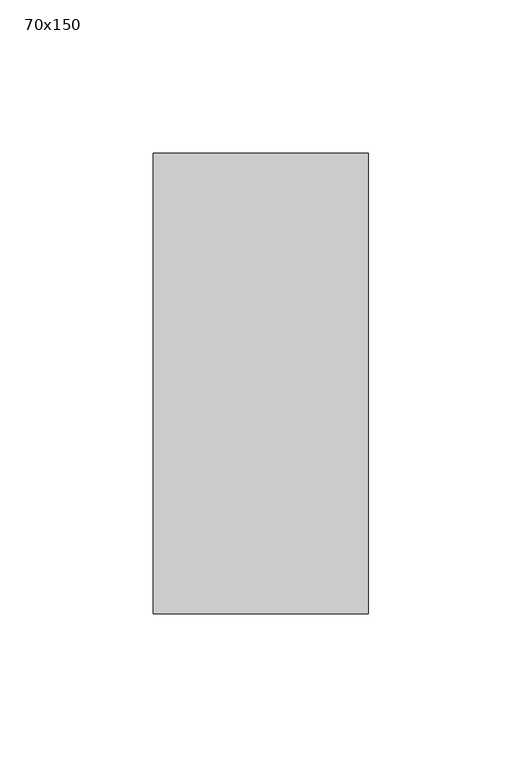
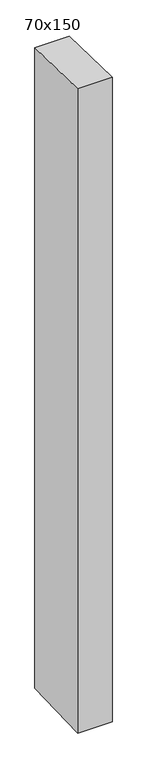
"""IFC4 building model written with IfcOpenShell, lengths in millimetres: member geometry, 70x150."""

import ifcopenshell
import ifcopenshell.guid

model = None  # the IFC model being written
_history = None  # IfcOwnerHistory: only IFC2X3 demands one
_inside = {}  # id of a spatial element -> (the spatial element, [elements in it])
_under = {}  # id of a project, library or spatial element -> (it, [spatial elements below it])
_declared = {}  # id of a project -> (the project, [libraries it declares])
_typed = {}  # id of a type object -> (the type object, [elements of that type])
_made_of = {}  # id of a material, layer set ... -> (it, [elements and type objects made of it])


def new_model(schema):
    """Start an empty IFC model of exactly this schema.

    Asked for "IFC4X3", IfcOpenShell would pick the latest addendum, in which some entities
    have other attributes; the version numbers below select the first issue.
    IFC2X3 requires an IfcOwnerHistory on every rooted entity: one is made here for all.
    """
    global model, _history
    if schema == "IFC4X3":
        model = ifcopenshell.file(schema_version=(4, 3, 0, 0))
    else:
        model = ifcopenshell.file(schema=schema)
    _inside.clear()
    _under.clear()
    _declared.clear()
    _typed.clear()
    _made_of.clear()
    _history = None
    if model.schema == "IFC2X3":
        org = make("IfcOrganization", Name="unknown")
        user = make(
            "IfcPersonAndOrganization",
            ThePerson=make("IfcPerson", FamilyName="unknown"),
            TheOrganization=org,
        )
        app = make(
            "IfcApplication",
            ApplicationDeveloper=org,
            Version="unknown",
            ApplicationFullName="unknown",
            ApplicationIdentifier="unknown",
        )
        _history = make(
            "IfcOwnerHistory",
            OwningUser=user,
            OwningApplication=app,
            ChangeAction="ADDED",
            CreationDate=0,
        )
    return model


def make(cls, **values):
    """One entity of the class cls with the attributes given. An attribute that is None is left unset."""
    return model.create_entity(
        cls, **{name: value for name, value in values.items() if value is not None}
    )


def rooted(cls, **values):
    """An entity with a GlobalId (a new one), such as an element, a storey or a relation."""
    return make(cls, GlobalId=ifcopenshell.guid.new(), OwnerHistory=_history, **values)


def si_unit(unit_type, name, prefix=None):
    """IfcSIUnit, for example si_unit("LENGTHUNIT", "METRE", prefix="MILLI")."""
    return make("IfcSIUnit", UnitType=unit_type, Prefix=prefix, Name=name)


def assignment(units):
    """IfcUnitAssignment: the units of a project."""
    return None if units is None else make("IfcUnitAssignment", Units=units)


def point(xyz):
    """IfcCartesianPoint."""
    return None if xyz is None else make("IfcCartesianPoint", Coordinates=xyz)


def direction(xyz):
    """IfcDirection."""
    return None if xyz is None else make("IfcDirection", DirectionRatios=xyz)


def frame(location, z_axis=None, x_axis=None):
    """IfcAxis2Placement3D, a coordinate frame: its origin and axes. An axis left out is left unset."""
    return make(
        "IfcAxis2Placement3D",
        Location=point(location),
        Axis=direction(z_axis),
        RefDirection=direction(x_axis),
    )


def origin():
    """The frame at (0, 0, 0) with its axes left unset."""
    return frame((0.0, 0.0, 0.0))


def place(relative_to, where):
    """IfcLocalPlacement: puts the frame where relative to a parent placement (None: the world)."""
    return make(
        "IfcLocalPlacement", PlacementRelTo=relative_to, RelativePlacement=where
    )


def context(
    kind, dimensions, precision=None, world=None, true_north=None, identifier=None
):
    """IfcGeometricRepresentationContext, for example the 3D "Model" context."""
    return make(
        "IfcGeometricRepresentationContext",
        ContextIdentifier=identifier,
        ContextType=kind,
        CoordinateSpaceDimension=dimensions,
        Precision=precision,
        WorldCoordinateSystem=world,
        TrueNorth=true_north,
    )


def project(units=None, contexts=None):
    """IfcProject with its units and contexts."""
    return rooted(
        "IfcProject",
        Name="project",
        RepresentationContexts=contexts,
        UnitsInContext=assignment(units),
    )


def spatial(cls, under=None, at=None, **own):
    """A site, building, storey or space (cls), placed at a placement, below another one or the project."""
    s = rooted(cls, ObjectPlacement=at, **own)
    if under is not None:
        _under.setdefault(under.id(), (under, []))[1].append(s)
    return s


def polyline(points):
    """IfcPolyline through the points."""
    return make("IfcPolyline", Points=[point(p) for p in points])


def outline(outer, holes=None, kind="AREA"):
    """IfcArbitraryClosedProfileDef: a profile drawn as a closed curve; with holes, ...WithVoids."""
    if holes is None:
        return make("IfcArbitraryClosedProfileDef", ProfileType=kind, OuterCurve=outer)
    return make(
        "IfcArbitraryProfileDefWithVoids",
        ProfileType=kind,
        OuterCurve=outer,
        InnerCurves=holes,
    )


def extrude(swept, where, along, depth):
    """IfcExtrudedAreaSolid: the profile swept, set in the frame where, extruded along a direction by depth."""
    return make(
        "IfcExtrudedAreaSolid",
        SweptArea=swept,
        Position=where,
        ExtrudedDirection=direction(along),
        Depth=depth,
    )


def shape(context_of_items, identifier, shape_type, items):
    """IfcShapeRepresentation: the items that make up one representation, for example the "Body"."""
    return make(
        "IfcShapeRepresentation",
        ContextOfItems=context_of_items,
        RepresentationIdentifier=identifier,
        RepresentationType=shape_type,
        Items=items,
    )


def source(mapping_origin, context_of_items, identifier, shape_type, items):
    """IfcRepresentationMap: a shape defined once, which mapped items show again and again."""
    return make(
        "IfcRepresentationMap",
        MappingOrigin=mapping_origin,
        MappedRepresentation=shape(context_of_items, identifier, shape_type, items),
    )


def transform(
    local_origin,
    x_axis=None,
    y_axis=None,
    z_axis=None,
    scale=None,
    scale2=None,
    scale3=None,
    uniform=True,
):
    """IfcCartesianTransformationOperator3D, or its non-uniform kind. x_axis, y_axis, z_axis: its Axis1, 2, 3."""
    if uniform:
        return make(
            "IfcCartesianTransformationOperator3D",
            Axis1=direction(x_axis),
            Axis2=direction(y_axis),
            LocalOrigin=point(local_origin),
            Scale=scale,
            Axis3=direction(z_axis),
        )
    return make(
        "IfcCartesianTransformationOperator3DnonUniform",
        Axis1=direction(x_axis),
        Axis2=direction(y_axis),
        LocalOrigin=point(local_origin),
        Scale=scale,
        Axis3=direction(z_axis),
        Scale2=scale2,
        Scale3=scale3,
    )


def mapped(mapping_source, mapping_target):
    """IfcMappedItem: shows the shape of a source again, moved by a transform."""
    return make(
        "IfcMappedItem", MappingSource=mapping_source, MappingTarget=mapping_target
    )


def made_of(thing, what):
    """Note that an element or type object is made of a material, layer set ...; save() writes the relation."""
    if what is not None:
        _made_of.setdefault(what.id(), (what, []))[1].append(thing)
    return thing


def element(
    cls,
    number,
    at=None,
    inside=None,
    cuts=None,
    type_object=None,
    material=None,
    context=None,
    identifier="Body",
    shape_type=None,
    held_by="IfcProductDefinitionShape",
    body=None,
    shapes=None,
    **own,
):
    """One element of the class cls, such as IfcWall. Its Tag is "e" and its number.

    at: its placement. inside: the storey or other place that contains it. cuts: it is an
    opening in that element (IfcRelVoidsElement). A single representation is given by context,
    identifier, shape_type and body (its items); several are given by shapes. held_by: the class
    of the entity that holds the representations. save() writes the other relations.
    """
    e = rooted(cls, Tag="e%d" % number, ObjectPlacement=at, **own)
    if body is not None:
        shapes = [shape(context, identifier, shape_type, body)]
    if shapes is not None:
        e.Representation = make(held_by, Representations=shapes)
    if inside is not None:
        _inside.setdefault(inside.id(), (inside, []))[1].append(e)
    if cuts is not None:
        rooted(
            "IfcRelVoidsElement", RelatingBuildingElement=cuts, RelatedOpeningElement=e
        )
    if type_object is not None:
        _typed.setdefault(type_object.id(), (type_object, []))[1].append(e)
    return made_of(e, material)


def aggregate(whole, parts):
    """IfcRelAggregates: a whole, such as a stair, and the parts it consists of."""
    return rooted("IfcRelAggregates", RelatingObject=whole, RelatedObjects=parts)


def save(model, path):
    """Write the relations noted so far, then the file.

    IfcRelAggregates (storeys below a building ...), IfcRelContainedInSpatialStructure (elements
    in a storey), IfcRelDefinesByType, IfcRelAssociatesMaterial and IfcRelDeclares: one each for
    every whole, place, type object, material and project.
    """
    for whole, parts in _under.values():
        aggregate(whole, parts)
    for where, things in _inside.values():
        rooted(
            "IfcRelContainedInSpatialStructure",
            RelatedElements=things,
            RelatingStructure=where,
        )
    for kind, things in _typed.values():
        rooted("IfcRelDefinesByType", RelatedObjects=things, RelatingType=kind)
    for what, things in _made_of.values():
        rooted("IfcRelAssociatesMaterial", RelatedObjects=things, RelatingMaterial=what)
    for by, libraries in _declared.values():
        rooted("IfcRelDeclares", RelatingContext=by, RelatedDefinitions=libraries)
    model.write(path)


def member_70x150_3538702d(model_context):
    return source(origin(), model_context, "Body", "SweptSolid", [
        extrude(outline(polyline([(-75.0, 1.3778058), (75.0, -1.3778058), (75.0, -1377.4847874), (-75.0, -1382.2729929), (-75.0, 1.3778058)])), frame((-70.0, 0.0, 0.0), z_axis=(1.0, 0.0, 0.0), x_axis=(0.0, 1.0, 0.0)), (0.0, 0.0, 1.0), 70.0),
    ])


if __name__ == "__main__":
    model = new_model("IFC4")
    model_context = context("Model", 3, world=origin())
    ifc_project = project(units=[si_unit("LENGTHUNIT", "METRE", prefix="MILLI")], contexts=[model_context])
    site = spatial("IfcSite", under=ifc_project)
    building = spatial("IfcBuilding", under=site)
    placement = place(None, origin())
    member_70x150_shape = member_70x150_3538702d(model_context)
    element("IfcMember", 1, ObjectType="70x150", at=placement, inside=building, context=model_context, shape_type="MappedRepresentation", body=[
        mapped(member_70x150_shape, transform((0.0, 0.0, 0.0), x_axis=(1.0, 0.0, 0.0), y_axis=(0.0, 1.0, 0.0), z_axis=(0.0, 0.0, 1.0))),
    ])
    save(model, "model.ifc")
